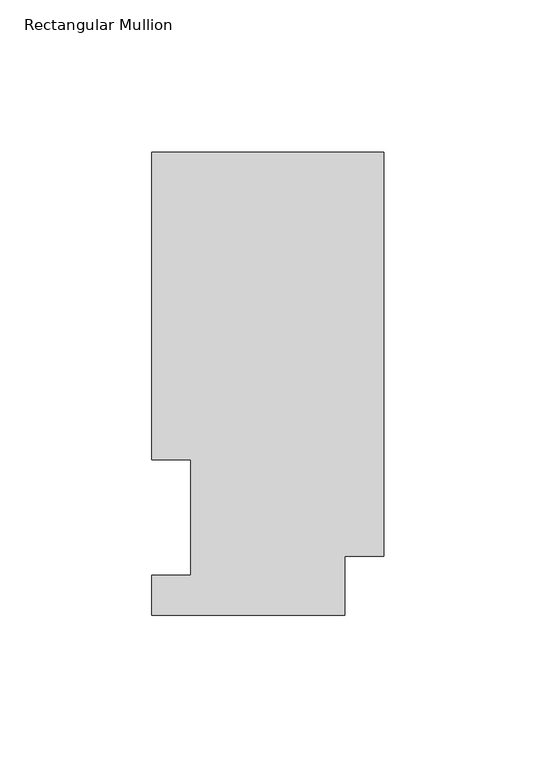
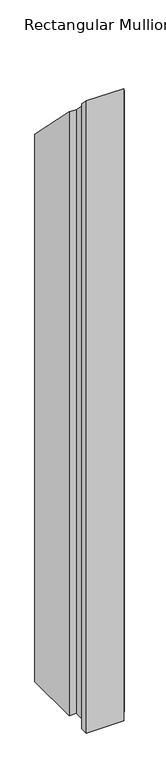
"""IFC4 building model written with IfcOpenShell, lengths in millimetres: member geometry, Rectangular Mullion."""

from ifc_helpers import new_model, si_unit, origin, place, context, project, spatial, faceted_brep, source, transform, mapped, element, save


def rectangular_mullion_cde9f0e6(model_context):
    return source(origin(), model_context, "Body", "Brep", [
        faceted_brep([(-76.2, 152.4896938, -1143.0084137), (0.0, 152.4896938, -1143.0084137), (0.0, 19.5460937, -1143.0084137), (-12.7, 19.5460937, -1143.0084137), (-12.7, 0.0134938, -1143.0084137), (-76.2, 0.0134938, -1143.0084137), (-76.2, 13.1960938, -1143.0084137), (-63.5127, 13.1960938, -1143.0084137), (-63.5127, 51.2960938, -1143.0084137), (-76.2, 51.2960938, -1143.0084137), (-76.2, 51.2960938, -51.2960937), (-76.2, 152.4896938, -152.4896938), (-63.5127, 51.2960938, -51.2960937), (-63.5127, 13.1960938, -13.1960938), (-76.2, 13.1960938, -13.1960938), (-76.2, 0.0134938, -0.0134938), (-12.7, 0.0134938, -0.0134938), (-12.7, 19.5460937, -19.5460937), (0.0, 19.5460937, -19.5460937), (0.0, 152.4896938, -152.4896938)], [[[0, 1, 2, 3, 4, 5, 6, 7, 8, 9]], [[10, 11, 0, 9]], [[12, 10, 9, 8]], [[13, 12, 8, 7]], [[14, 13, 7, 6]], [[15, 14, 6, 5]], [[16, 15, 5, 4]], [[17, 16, 4, 3]], [[18, 17, 3, 2]], [[19, 18, 2, 1]], [[11, 19, 1, 0]], [[11, 10, 12, 13, 14, 15, 16, 17, 18, 19]]]),
    ])


if __name__ == "__main__":
    model = new_model("IFC4")
    model_context = context("Model", 3, world=origin())
    ifc_project = project(units=[si_unit("LENGTHUNIT", "METRE", prefix="MILLI")], contexts=[model_context])
    site = spatial("IfcSite", under=ifc_project)
    building = spatial("IfcBuilding", under=site)
    placement = place(None, origin())
    rectangular_mullion_shape = rectangular_mullion_cde9f0e6(model_context)
    element("IfcMember", 1, ObjectType="Rectangular Mullion", at=placement, inside=building, context=model_context, shape_type="MappedRepresentation", body=[
        mapped(rectangular_mullion_shape, transform((0.0, 0.0, 0.0), x_axis=(1.0, 0.0, 0.0), y_axis=(0.0, 1.0, 0.0), z_axis=(0.0, 0.0, 1.0))),
    ])
    save(model, "model.ifc")
